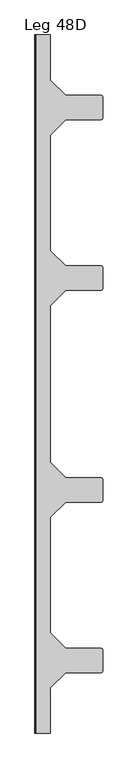
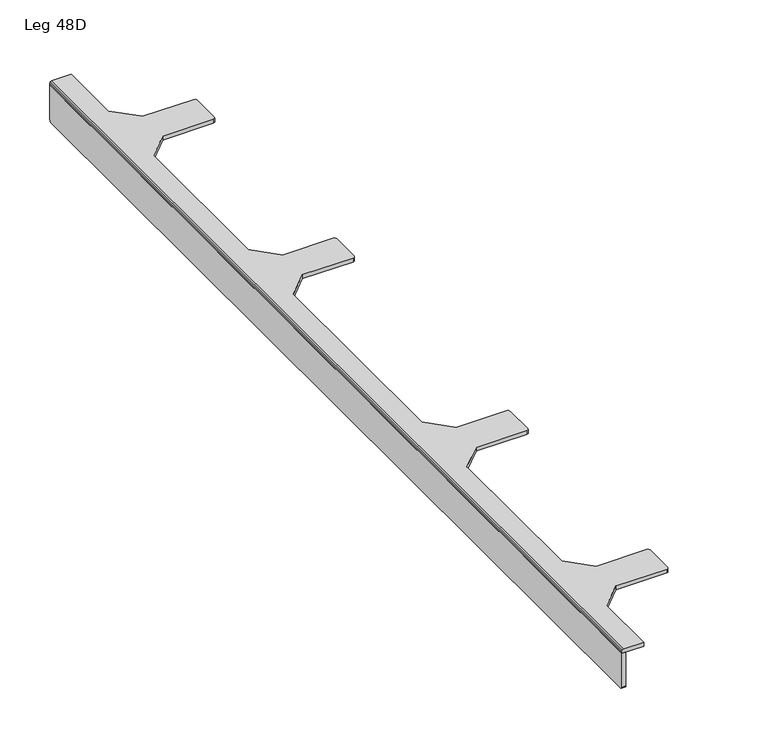
"""IFC4 building model written with IfcOpenShell, lengths in millimetres: furniture geometry, Leg 48D."""

import ifcopenshell
import ifcopenshell.guid

model = None  # the IFC model being written
_history = None  # IfcOwnerHistory: only IFC2X3 demands one
_inside = {}  # id of a spatial element -> (the spatial element, [elements in it])
_under = {}  # id of a project, library or spatial element -> (it, [spatial elements below it])
_declared = {}  # id of a project -> (the project, [libraries it declares])
_typed = {}  # id of a type object -> (the type object, [elements of that type])
_made_of = {}  # id of a material, layer set ... -> (it, [elements and type objects made of it])


def new_model(schema):
    """Start an empty IFC model of exactly this schema.

    Asked for "IFC4X3", IfcOpenShell would pick the latest addendum, in which some entities
    have other attributes; the version numbers below select the first issue.
    IFC2X3 requires an IfcOwnerHistory on every rooted entity: one is made here for all.
    """
    global model, _history
    if schema == "IFC4X3":
        model = ifcopenshell.file(schema_version=(4, 3, 0, 0))
    else:
        model = ifcopenshell.file(schema=schema)
    _inside.clear()
    _under.clear()
    _declared.clear()
    _typed.clear()
    _made_of.clear()
    _history = None
    if model.schema == "IFC2X3":
        org = make("IfcOrganization", Name="unknown")
        user = make(
            "IfcPersonAndOrganization",
            ThePerson=make("IfcPerson", FamilyName="unknown"),
            TheOrganization=org,
        )
        app = make(
            "IfcApplication",
            ApplicationDeveloper=org,
            Version="unknown",
            ApplicationFullName="unknown",
            ApplicationIdentifier="unknown",
        )
        _history = make(
            "IfcOwnerHistory",
            OwningUser=user,
            OwningApplication=app,
            ChangeAction="ADDED",
            CreationDate=0,
        )
    return model


def make(cls, **values):
    """One entity of the class cls with the attributes given. An attribute that is None is left unset."""
    return model.create_entity(
        cls, **{name: value for name, value in values.items() if value is not None}
    )


def rooted(cls, **values):
    """An entity with a GlobalId (a new one), such as an element, a storey or a relation."""
    return make(cls, GlobalId=ifcopenshell.guid.new(), OwnerHistory=_history, **values)


def si_unit(unit_type, name, prefix=None):
    """IfcSIUnit, for example si_unit("LENGTHUNIT", "METRE", prefix="MILLI")."""
    return make("IfcSIUnit", UnitType=unit_type, Prefix=prefix, Name=name)


def assignment(units):
    """IfcUnitAssignment: the units of a project."""
    return None if units is None else make("IfcUnitAssignment", Units=units)


def point(xyz):
    """IfcCartesianPoint."""
    return None if xyz is None else make("IfcCartesianPoint", Coordinates=xyz)


def direction(xyz):
    """IfcDirection."""
    return None if xyz is None else make("IfcDirection", DirectionRatios=xyz)


def frame(location, z_axis=None, x_axis=None):
    """IfcAxis2Placement3D, a coordinate frame: its origin and axes. An axis left out is left unset."""
    return make(
        "IfcAxis2Placement3D",
        Location=point(location),
        Axis=direction(z_axis),
        RefDirection=direction(x_axis),
    )


def origin():
    """The frame at (0, 0, 0) with its axes left unset."""
    return frame((0.0, 0.0, 0.0))


def place(relative_to, where):
    """IfcLocalPlacement: puts the frame where relative to a parent placement (None: the world)."""
    return make(
        "IfcLocalPlacement", PlacementRelTo=relative_to, RelativePlacement=where
    )


def context(
    kind, dimensions, precision=None, world=None, true_north=None, identifier=None
):
    """IfcGeometricRepresentationContext, for example the 3D "Model" context."""
    return make(
        "IfcGeometricRepresentationContext",
        ContextIdentifier=identifier,
        ContextType=kind,
        CoordinateSpaceDimension=dimensions,
        Precision=precision,
        WorldCoordinateSystem=world,
        TrueNorth=true_north,
    )


def project(units=None, contexts=None):
    """IfcProject with its units and contexts."""
    return rooted(
        "IfcProject",
        Name="project",
        RepresentationContexts=contexts,
        UnitsInContext=assignment(units),
    )


def spatial(cls, under=None, at=None, **own):
    """A site, building, storey or space (cls), placed at a placement, below another one or the project."""
    s = rooted(cls, ObjectPlacement=at, **own)
    if under is not None:
        _under.setdefault(under.id(), (under, []))[1].append(s)
    return s


def polyline(points):
    """IfcPolyline through the points."""
    return make("IfcPolyline", Points=[point(p) for p in points])


def outline(outer, holes=None, kind="AREA"):
    """IfcArbitraryClosedProfileDef: a profile drawn as a closed curve; with holes, ...WithVoids."""
    if holes is None:
        return make("IfcArbitraryClosedProfileDef", ProfileType=kind, OuterCurve=outer)
    return make(
        "IfcArbitraryProfileDefWithVoids",
        ProfileType=kind,
        OuterCurve=outer,
        InnerCurves=holes,
    )


def extrude(swept, where, along, depth):
    """IfcExtrudedAreaSolid: the profile swept, set in the frame where, extruded along a direction by depth."""
    return make(
        "IfcExtrudedAreaSolid",
        SweptArea=swept,
        Position=where,
        ExtrudedDirection=direction(along),
        Depth=depth,
    )


def faces_of(points, faces, orient=None, outer=None):
    """IfcFace entities. A face is a list of loops; a loop is a list of indices into points, from 0.

    orient and outer hold one flag for each loop. By default every Orientation is true, the
    first loop of a face is its IfcFaceOuterBound and the others are IfcFaceBound.
    """
    made = []
    for i, loops in enumerate(faces):
        bounds = []
        for j, loop in enumerate(loops):
            is_outer = j == 0 if outer is None else outer[i][j]
            bounds.append(
                make(
                    "IfcFaceOuterBound" if is_outer else "IfcFaceBound",
                    Bound=make("IfcPolyLoop", Polygon=[points[k] for k in loop]),
                    Orientation=True if orient is None else orient[i][j],
                )
            )
        made.append(make("IfcFace", Bounds=bounds))
    return made


def faceted_brep(points, faces, orient=None, outer=None, voids=None):
    """IfcFacetedBrep: a solid bounded by flat faces; with voids (closed shells), ...WithVoids."""
    shared = [point(p) for p in points]
    hull = make("IfcClosedShell", CfsFaces=faces_of(shared, faces, orient, outer))
    if voids is None:
        return make("IfcFacetedBrep", Outer=hull)
    return make(
        "IfcFacetedBrepWithVoids",
        Outer=hull,
        Voids=[
            make(cls, CfsFaces=faces_of(shared, fs, o, b)) for cls, fs, o, b in voids
        ],
    )


def shape(context_of_items, identifier, shape_type, items):
    """IfcShapeRepresentation: the items that make up one representation, for example the "Body"."""
    return make(
        "IfcShapeRepresentation",
        ContextOfItems=context_of_items,
        RepresentationIdentifier=identifier,
        RepresentationType=shape_type,
        Items=items,
    )


def source(mapping_origin, context_of_items, identifier, shape_type, items):
    """IfcRepresentationMap: a shape defined once, which mapped items show again and again."""
    return make(
        "IfcRepresentationMap",
        MappingOrigin=mapping_origin,
        MappedRepresentation=shape(context_of_items, identifier, shape_type, items),
    )


def transform(
    local_origin,
    x_axis=None,
    y_axis=None,
    z_axis=None,
    scale=None,
    scale2=None,
    scale3=None,
    uniform=True,
):
    """IfcCartesianTransformationOperator3D, or its non-uniform kind. x_axis, y_axis, z_axis: its Axis1, 2, 3."""
    if uniform:
        return make(
            "IfcCartesianTransformationOperator3D",
            Axis1=direction(x_axis),
            Axis2=direction(y_axis),
            LocalOrigin=point(local_origin),
            Scale=scale,
            Axis3=direction(z_axis),
        )
    return make(
        "IfcCartesianTransformationOperator3DnonUniform",
        Axis1=direction(x_axis),
        Axis2=direction(y_axis),
        LocalOrigin=point(local_origin),
        Scale=scale,
        Axis3=direction(z_axis),
        Scale2=scale2,
        Scale3=scale3,
    )


def mapped(mapping_source, mapping_target):
    """IfcMappedItem: shows the shape of a source again, moved by a transform."""
    return make(
        "IfcMappedItem", MappingSource=mapping_source, MappingTarget=mapping_target
    )


def made_of(thing, what):
    """Note that an element or type object is made of a material, layer set ...; save() writes the relation."""
    if what is not None:
        _made_of.setdefault(what.id(), (what, []))[1].append(thing)
    return thing


def element(
    cls,
    number,
    at=None,
    inside=None,
    cuts=None,
    type_object=None,
    material=None,
    context=None,
    identifier="Body",
    shape_type=None,
    held_by="IfcProductDefinitionShape",
    body=None,
    shapes=None,
    **own,
):
    """One element of the class cls, such as IfcWall. Its Tag is "e" and its number.

    at: its placement. inside: the storey or other place that contains it. cuts: it is an
    opening in that element (IfcRelVoidsElement). A single representation is given by context,
    identifier, shape_type and body (its items); several are given by shapes. held_by: the class
    of the entity that holds the representations. save() writes the other relations.
    """
    e = rooted(cls, Tag="e%d" % number, ObjectPlacement=at, **own)
    if body is not None:
        shapes = [shape(context, identifier, shape_type, body)]
    if shapes is not None:
        e.Representation = make(held_by, Representations=shapes)
    if inside is not None:
        _inside.setdefault(inside.id(), (inside, []))[1].append(e)
    if cuts is not None:
        rooted(
            "IfcRelVoidsElement", RelatingBuildingElement=cuts, RelatedOpeningElement=e
        )
    if type_object is not None:
        _typed.setdefault(type_object.id(), (type_object, []))[1].append(e)
    return made_of(e, material)


def aggregate(whole, parts):
    """IfcRelAggregates: a whole, such as a stair, and the parts it consists of."""
    return rooted("IfcRelAggregates", RelatingObject=whole, RelatedObjects=parts)


def save(model, path):
    """Write the relations noted so far, then the file.

    IfcRelAggregates (storeys below a building ...), IfcRelContainedInSpatialStructure (elements
    in a storey), IfcRelDefinesByType, IfcRelAssociatesMaterial and IfcRelDeclares: one each for
    every whole, place, type object, material and project.
    """
    for whole, parts in _under.values():
        aggregate(whole, parts)
    for where, things in _inside.values():
        rooted(
            "IfcRelContainedInSpatialStructure",
            RelatedElements=things,
            RelatingStructure=where,
        )
    for kind, things in _typed.values():
        rooted("IfcRelDefinesByType", RelatedObjects=things, RelatingType=kind)
    for what, things in _made_of.values():
        rooted("IfcRelAssociatesMaterial", RelatedObjects=things, RelatingMaterial=what)
    for by, libraries in _declared.values():
        rooted("IfcRelDeclares", RelatingContext=by, RelatedDefinitions=libraries)
    model.write(path)


def leg_48d_763cd7b9(model_context):
    return source(origin(), model_context, "Body", "SolidModel", [
        extrude(outline(polyline([(-576.58, 338.1444763), (576.58, 338.1444763), (576.58, 296.7426034), (575.7679808, 294.7822248), (574.0002108, 294.0499658), (-574.0001898, 294.0499658), (-575.7679802, 294.7822085), (-576.58, 296.7425978), (-576.58, 338.1444763)])), frame((0.0, 0.0, 0.0), z_axis=(1.0, 0.0, 0.0), x_axis=(0.0, 1.0, 0.0)), (0.0, 0.0, 1.0), 4.75552),
        faceted_brep([(25.4000008, -576.58, 342.9), (25.4000008, -501.9800113, 342.9), (50.8000015, -476.5799992, 342.9), (109.8100034, -476.5799992, 342.9), (111.5777643, -475.8477765, 342.9), (112.3099961, -474.0800065, 342.9), (112.3099961, -439.079999, 342.9), (111.5777643, -437.3122289, 342.9), (109.8100034, -436.5800062, 342.9), (50.8000015, -436.5800062, 342.9), (25.4000008, -411.1799941, 342.9), (25.4000008, -220.3999918, 342.9), (50.8000015, -194.9999979, 342.9), (109.8100034, -194.9999979, 342.9), (111.5777643, -194.2677751, 342.9), (112.3099961, -192.5000051, 342.9), (112.3099961, -157.4999976, 342.9), (111.5777643, -155.7322276, 342.9), (109.8100034, -155.0000048, 342.9), (50.8000015, -155.0000048, 342.9), (25.4000008, -129.6000018, 342.9), (25.4000008, 129.6000018, 342.9), (50.8000015, 155.0000048, 342.9), (109.8100034, 155.0000048, 342.9), (111.5777643, 155.7322276, 342.9), (112.3099961, 157.4999976, 342.9), (112.3099961, 192.5000051, 342.9), (111.5777643, 194.2677751, 342.9), (109.8100034, 194.9999979, 342.9), (50.8000015, 194.9999979, 342.9), (25.4000008, 220.3999918, 342.9), (25.4000008, 411.1799941, 342.9), (50.8000015, 436.5800062, 342.9), (109.8100034, 436.5800062, 342.9), (111.5777643, 437.3122289, 342.9), (112.3099961, 439.079999, 342.9), (112.3099961, 474.0800065, 342.9), (111.5777643, 475.8477765, 342.9), (109.8100034, 476.5799992, 342.9), (50.8000015, 476.5799992, 342.9), (25.4000008, 501.9800113, 342.9), (25.4000008, 576.58, 342.9), (2.5000001, 576.58, 342.9), (2.5000001, -576.58, 342.9), (0.0, -576.58, 338.1444763), (0.0, 576.58, 338.1444763), (25.4000008, 576.58, 338.1444763), (25.4000008, 501.9800113, 338.1444763), (50.8000015, 476.5799992, 338.1444763), (109.8100034, 476.5799992, 338.1444763), (111.5777643, 475.8477765, 338.1444763), (112.3099961, 474.0800065, 338.1444763), (112.3099961, 439.079999, 338.1444763), (111.5777643, 437.3122289, 338.1444763), (109.8100034, 436.5800062, 338.1444763), (50.8000015, 436.5800062, 338.1444763), (25.4000008, 411.1799941, 338.1444763), (25.4000008, 220.3999918, 338.1444763), (50.8000015, 194.9999979, 338.1444763), (109.8100034, 194.9999979, 338.1444763), (111.5777643, 194.2677751, 338.1444763), (112.3099961, 192.5000051, 338.1444763), (112.3099961, 157.4999976, 338.1444763), (111.5777643, 155.7322276, 338.1444763), (109.8100034, 155.0000048, 338.1444763), (50.8000015, 155.0000048, 338.1444763), (25.4000008, 129.6000018, 338.1444763), (25.4000008, -129.6000018, 338.1444763), (50.8000015, -155.0000048, 338.1444763), (109.8100034, -155.0000048, 338.1444763), (111.5777643, -155.7322276, 338.1444763), (112.3099961, -157.4999976, 338.1444763), (112.3099961, -192.5000051, 338.1444763), (111.5777643, -194.2677751, 338.1444763), (109.8100034, -194.9999979, 338.1444763), (50.8000015, -194.9999979, 338.1444763), (25.4000008, -220.3999918, 338.1444763), (25.4000008, -411.1799941, 338.1444763), (50.8000015, -436.5800062, 338.1444763), (109.8100034, -436.5800062, 338.1444763), (111.5777643, -437.3122289, 338.1444763), (112.3099961, -439.079999, 338.1444763), (112.3099961, -474.0800065, 338.1444763), (111.5777643, -475.8477765, 338.1444763), (109.8100034, -476.5799992, 338.1444763), (50.8000015, -476.5799992, 338.1444763), (25.4000008, -501.9800113, 338.1444763), (25.4000008, -576.58, 338.1444763), (0.732233, -576.58, 342.1677773), (0.0, -576.58, 340.4000072), (0.0, 576.58, 340.4000072), (0.732233, 576.58, 342.1677773)], [[[0, 1, 2, 3, 4, 5, 6, 7, 8, 9, 10, 11, 12, 13, 14, 15, 16, 17, 18, 19, 20, 21, 22, 23, 24, 25, 26, 27, 28, 29, 30, 31, 32, 33, 34, 35, 36, 37, 38, 39, 40, 41, 42, 43]], [[44, 45, 46, 47, 48, 49, 50, 51, 52, 53, 54, 55, 56, 57, 58, 59, 60, 61, 62, 63, 64, 65, 66, 67, 68, 69, 70, 71, 72, 73, 74, 75, 76, 77, 78, 79, 80, 81, 82, 83, 84, 85, 86, 87]], [[44, 87, 0, 43, 88, 89]], [[1, 0, 87, 86]], [[2, 1, 86, 85]], [[3, 2, 85, 84]], [[4, 3, 84, 83]], [[5, 4, 83, 82]], [[6, 5, 82, 81]], [[7, 6, 81, 80]], [[8, 7, 80, 79]], [[9, 8, 79, 78]], [[10, 9, 78, 77]], [[31, 30, 57, 56]], [[32, 31, 56, 55]], [[33, 32, 55, 54]], [[34, 33, 54, 53]], [[35, 34, 53, 52]], [[36, 35, 52, 51]], [[37, 36, 51, 50]], [[38, 37, 50, 49]], [[39, 38, 49, 48]], [[40, 39, 48, 47]], [[41, 40, 47, 46]], [[46, 45, 90, 91, 42, 41]], [[45, 44, 89, 90]], [[11, 10, 77, 76]], [[12, 11, 76, 75]], [[13, 12, 75, 74]], [[14, 13, 74, 73]], [[15, 14, 73, 72]], [[16, 15, 72, 71]], [[17, 16, 71, 70]], [[18, 17, 70, 69]], [[19, 18, 69, 68]], [[20, 19, 68, 67]], [[21, 20, 67, 66]], [[22, 21, 66, 65]], [[23, 22, 65, 64]], [[24, 23, 64, 63]], [[25, 24, 63, 62]], [[26, 25, 62, 61]], [[27, 26, 61, 60]], [[28, 27, 60, 59]], [[29, 28, 59, 58]], [[30, 29, 58, 57]], [[91, 88, 43, 42]], [[88, 91, 90, 89]]]),
    ])


if __name__ == "__main__":
    model = new_model("IFC4")
    model_context = context("Model", 3, world=origin())
    ifc_project = project(units=[si_unit("LENGTHUNIT", "METRE", prefix="MILLI")], contexts=[model_context])
    site = spatial("IfcSite", under=ifc_project)
    building = spatial("IfcBuilding", under=site)
    placement = place(None, origin())
    leg_48d_shape = leg_48d_763cd7b9(model_context)
    element("IfcFurniture", 1, ObjectType="Leg 48D", at=placement, inside=building, context=model_context, shape_type="MappedRepresentation", body=[
        mapped(leg_48d_shape, transform((0.0, 0.0, 0.0), x_axis=(1.0, 0.0, 0.0), y_axis=(0.0, 1.0, 0.0), z_axis=(0.0, 0.0, 1.0))),
    ])
    save(model, "model.ifc")
